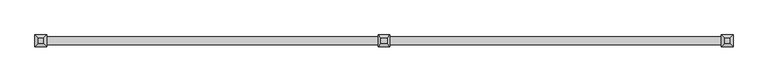
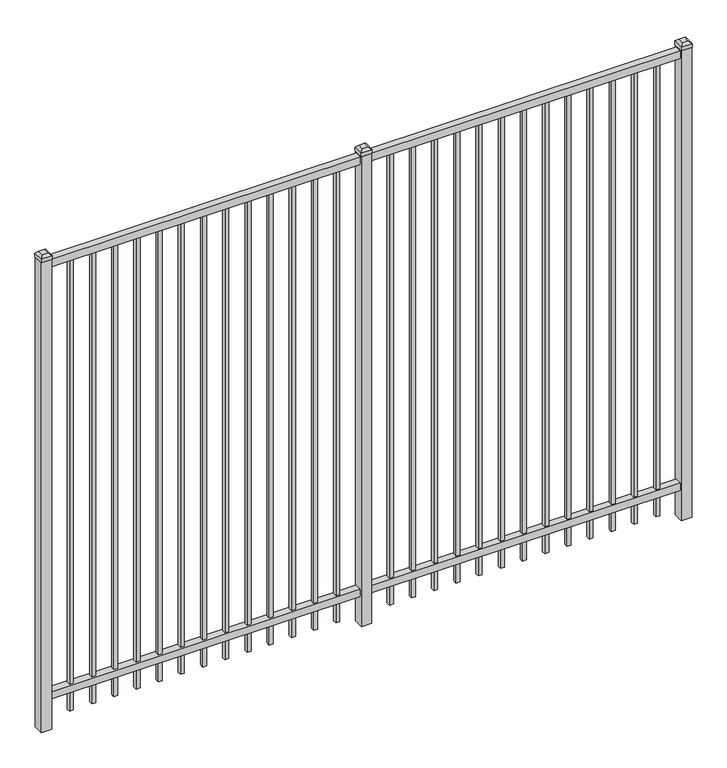
"""IFC4 building model written with IfcOpenShell, lengths in millimetres: railing geometry."""

import ifcopenshell
import ifcopenshell.guid

model = None  # the IFC model being written
_history = None  # IfcOwnerHistory: only IFC2X3 demands one
_inside = {}  # id of a spatial element -> (the spatial element, [elements in it])
_under = {}  # id of a project, library or spatial element -> (it, [spatial elements below it])
_declared = {}  # id of a project -> (the project, [libraries it declares])
_typed = {}  # id of a type object -> (the type object, [elements of that type])
_made_of = {}  # id of a material, layer set ... -> (it, [elements and type objects made of it])


def new_model(schema):
    """Start an empty IFC model of exactly this schema.

    Asked for "IFC4X3", IfcOpenShell would pick the latest addendum, in which some entities
    have other attributes; the version numbers below select the first issue.
    IFC2X3 requires an IfcOwnerHistory on every rooted entity: one is made here for all.
    """
    global model, _history
    if schema == "IFC4X3":
        model = ifcopenshell.file(schema_version=(4, 3, 0, 0))
    else:
        model = ifcopenshell.file(schema=schema)
    _inside.clear()
    _under.clear()
    _declared.clear()
    _typed.clear()
    _made_of.clear()
    _history = None
    if model.schema == "IFC2X3":
        org = make("IfcOrganization", Name="unknown")
        user = make(
            "IfcPersonAndOrganization",
            ThePerson=make("IfcPerson", FamilyName="unknown"),
            TheOrganization=org,
        )
        app = make(
            "IfcApplication",
            ApplicationDeveloper=org,
            Version="unknown",
            ApplicationFullName="unknown",
            ApplicationIdentifier="unknown",
        )
        _history = make(
            "IfcOwnerHistory",
            OwningUser=user,
            OwningApplication=app,
            ChangeAction="ADDED",
            CreationDate=0,
        )
    return model


def make(cls, **values):
    """One entity of the class cls with the attributes given. An attribute that is None is left unset."""
    return model.create_entity(
        cls, **{name: value for name, value in values.items() if value is not None}
    )


def rooted(cls, **values):
    """An entity with a GlobalId (a new one), such as an element, a storey or a relation."""
    return make(cls, GlobalId=ifcopenshell.guid.new(), OwnerHistory=_history, **values)


def si_unit(unit_type, name, prefix=None):
    """IfcSIUnit, for example si_unit("LENGTHUNIT", "METRE", prefix="MILLI")."""
    return make("IfcSIUnit", UnitType=unit_type, Prefix=prefix, Name=name)


def assignment(units):
    """IfcUnitAssignment: the units of a project."""
    return None if units is None else make("IfcUnitAssignment", Units=units)


def point(xyz):
    """IfcCartesianPoint."""
    return None if xyz is None else make("IfcCartesianPoint", Coordinates=xyz)


def direction(xyz):
    """IfcDirection."""
    return None if xyz is None else make("IfcDirection", DirectionRatios=xyz)


def frame(location, z_axis=None, x_axis=None):
    """IfcAxis2Placement3D, a coordinate frame: its origin and axes. An axis left out is left unset."""
    return make(
        "IfcAxis2Placement3D",
        Location=point(location),
        Axis=direction(z_axis),
        RefDirection=direction(x_axis),
    )


def origin():
    """The frame at (0, 0, 0) with its axes left unset."""
    return frame((0.0, 0.0, 0.0))


def origin_with_axes():
    """The frame at (0, 0, 0) with the z axis (0, 0, 1) and the x axis (1, 0, 0) written out."""
    return frame((0.0, 0.0, 0.0), z_axis=(0.0, 0.0, 1.0), x_axis=(1.0, 0.0, 0.0))


def place(relative_to, where):
    """IfcLocalPlacement: puts the frame where relative to a parent placement (None: the world)."""
    return make(
        "IfcLocalPlacement", PlacementRelTo=relative_to, RelativePlacement=where
    )


def context(
    kind, dimensions, precision=None, world=None, true_north=None, identifier=None
):
    """IfcGeometricRepresentationContext, for example the 3D "Model" context."""
    return make(
        "IfcGeometricRepresentationContext",
        ContextIdentifier=identifier,
        ContextType=kind,
        CoordinateSpaceDimension=dimensions,
        Precision=precision,
        WorldCoordinateSystem=world,
        TrueNorth=true_north,
    )


def project(units=None, contexts=None):
    """IfcProject with its units and contexts."""
    return rooted(
        "IfcProject",
        Name="project",
        RepresentationContexts=contexts,
        UnitsInContext=assignment(units),
    )


def spatial(cls, under=None, at=None, **own):
    """A site, building, storey or space (cls), placed at a placement, below another one or the project."""
    s = rooted(cls, ObjectPlacement=at, **own)
    if under is not None:
        _under.setdefault(under.id(), (under, []))[1].append(s)
    return s


def polyline(points):
    """IfcPolyline through the points."""
    return make("IfcPolyline", Points=[point(p) for p in points])


def outline(outer, holes=None, kind="AREA"):
    """IfcArbitraryClosedProfileDef: a profile drawn as a closed curve; with holes, ...WithVoids."""
    if holes is None:
        return make("IfcArbitraryClosedProfileDef", ProfileType=kind, OuterCurve=outer)
    return make(
        "IfcArbitraryProfileDefWithVoids",
        ProfileType=kind,
        OuterCurve=outer,
        InnerCurves=holes,
    )


def extrude(swept, where, along, depth):
    """IfcExtrudedAreaSolid: the profile swept, set in the frame where, extruded along a direction by depth."""
    return make(
        "IfcExtrudedAreaSolid",
        SweptArea=swept,
        Position=where,
        ExtrudedDirection=direction(along),
        Depth=depth,
    )


def faces_of(points, faces, orient=None, outer=None):
    """IfcFace entities. A face is a list of loops; a loop is a list of indices into points, from 0.

    orient and outer hold one flag for each loop. By default every Orientation is true, the
    first loop of a face is its IfcFaceOuterBound and the others are IfcFaceBound.
    """
    made = []
    for i, loops in enumerate(faces):
        bounds = []
        for j, loop in enumerate(loops):
            is_outer = j == 0 if outer is None else outer[i][j]
            bounds.append(
                make(
                    "IfcFaceOuterBound" if is_outer else "IfcFaceBound",
                    Bound=make("IfcPolyLoop", Polygon=[points[k] for k in loop]),
                    Orientation=True if orient is None else orient[i][j],
                )
            )
        made.append(make("IfcFace", Bounds=bounds))
    return made


def faceted_brep(points, faces, orient=None, outer=None, voids=None):
    """IfcFacetedBrep: a solid bounded by flat faces; with voids (closed shells), ...WithVoids."""
    shared = [point(p) for p in points]
    hull = make("IfcClosedShell", CfsFaces=faces_of(shared, faces, orient, outer))
    if voids is None:
        return make("IfcFacetedBrep", Outer=hull)
    return make(
        "IfcFacetedBrepWithVoids",
        Outer=hull,
        Voids=[
            make(cls, CfsFaces=faces_of(shared, fs, o, b)) for cls, fs, o, b in voids
        ],
    )


def shape(context_of_items, identifier, shape_type, items):
    """IfcShapeRepresentation: the items that make up one representation, for example the "Body"."""
    return make(
        "IfcShapeRepresentation",
        ContextOfItems=context_of_items,
        RepresentationIdentifier=identifier,
        RepresentationType=shape_type,
        Items=items,
    )


def source(mapping_origin, context_of_items, identifier, shape_type, items):
    """IfcRepresentationMap: a shape defined once, which mapped items show again and again."""
    return make(
        "IfcRepresentationMap",
        MappingOrigin=mapping_origin,
        MappedRepresentation=shape(context_of_items, identifier, shape_type, items),
    )


def transform(
    local_origin,
    x_axis=None,
    y_axis=None,
    z_axis=None,
    scale=None,
    scale2=None,
    scale3=None,
    uniform=True,
):
    """IfcCartesianTransformationOperator3D, or its non-uniform kind. x_axis, y_axis, z_axis: its Axis1, 2, 3."""
    if uniform:
        return make(
            "IfcCartesianTransformationOperator3D",
            Axis1=direction(x_axis),
            Axis2=direction(y_axis),
            LocalOrigin=point(local_origin),
            Scale=scale,
            Axis3=direction(z_axis),
        )
    return make(
        "IfcCartesianTransformationOperator3DnonUniform",
        Axis1=direction(x_axis),
        Axis2=direction(y_axis),
        LocalOrigin=point(local_origin),
        Scale=scale,
        Axis3=direction(z_axis),
        Scale2=scale2,
        Scale3=scale3,
    )


def mapped(mapping_source, mapping_target):
    """IfcMappedItem: shows the shape of a source again, moved by a transform."""
    return make(
        "IfcMappedItem", MappingSource=mapping_source, MappingTarget=mapping_target
    )


def made_of(thing, what):
    """Note that an element or type object is made of a material, layer set ...; save() writes the relation."""
    if what is not None:
        _made_of.setdefault(what.id(), (what, []))[1].append(thing)
    return thing


def element(
    cls,
    number,
    at=None,
    inside=None,
    cuts=None,
    type_object=None,
    material=None,
    context=None,
    identifier="Body",
    shape_type=None,
    held_by="IfcProductDefinitionShape",
    body=None,
    shapes=None,
    **own,
):
    """One element of the class cls, such as IfcWall. Its Tag is "e" and its number.

    at: its placement. inside: the storey or other place that contains it. cuts: it is an
    opening in that element (IfcRelVoidsElement). A single representation is given by context,
    identifier, shape_type and body (its items); several are given by shapes. held_by: the class
    of the entity that holds the representations. save() writes the other relations.
    """
    e = rooted(cls, Tag="e%d" % number, ObjectPlacement=at, **own)
    if body is not None:
        shapes = [shape(context, identifier, shape_type, body)]
    if shapes is not None:
        e.Representation = make(held_by, Representations=shapes)
    if inside is not None:
        _inside.setdefault(inside.id(), (inside, []))[1].append(e)
    if cuts is not None:
        rooted(
            "IfcRelVoidsElement", RelatingBuildingElement=cuts, RelatedOpeningElement=e
        )
    if type_object is not None:
        _typed.setdefault(type_object.id(), (type_object, []))[1].append(e)
    return made_of(e, material)


def aggregate(whole, parts):
    """IfcRelAggregates: a whole, such as a stair, and the parts it consists of."""
    return rooted("IfcRelAggregates", RelatingObject=whole, RelatedObjects=parts)


def save(model, path):
    """Write the relations noted so far, then the file.

    IfcRelAggregates (storeys below a building ...), IfcRelContainedInSpatialStructure (elements
    in a storey), IfcRelDefinesByType, IfcRelAssociatesMaterial and IfcRelDeclares: one each for
    every whole, place, type object, material and project.
    """
    for whole, parts in _under.values():
        aggregate(whole, parts)
    for where, things in _inside.values():
        rooted(
            "IfcRelContainedInSpatialStructure",
            RelatedElements=things,
            RelatingStructure=where,
        )
    for kind, things in _typed.values():
        rooted("IfcRelDefinesByType", RelatedObjects=things, RelatingType=kind)
    for what, things in _made_of.values():
        rooted("IfcRelAssociatesMaterial", RelatedObjects=things, RelatingMaterial=what)
    for by, libraries in _declared.values():
        rooted("IfcRelDeclares", RelatingContext=by, RelatedDefinitions=libraries)
    model.write(path)


def railing_dfb329a0(model_context):
    return source(origin(), model_context, "Body", "SolidModel", [
        extrude(outline(polyline([(-55249.318087, 5443.2804826), (-55249.318087, 5478.2054826), (-52099.718087, 5478.2054826), (-52099.718087, 5443.2804826), (-55249.318087, 5443.2804826)])), frame((0.0, 0.0, 2400.3), z_axis=(0.0, 0.0, 1.0), x_axis=(1.0, 0.0, 0.0)), (0.0, 0.0, 1.0), 38.1),
        extrude(outline(polyline([(-55249.318087, 5443.2804826), (-55249.318087, 5478.2054826), (-52099.718087, 5478.2054826), (-52099.718087, 5443.2804826), (-55249.318087, 5443.2804826)])), frame((0.0, 0.0, 152.4), z_axis=(0.0, 0.0, 1.0), x_axis=(1.0, 0.0, 0.0)), (0.0, 0.0, 1.0), 38.1),
        extrude(outline(polyline([(-52331.2285036, 5470.2679826), (-52331.2285036, 5451.2179826), (-52350.2785036, 5451.2179826), (-52350.2785036, 5470.2679826), (-52331.2285036, 5470.2679826)])), frame((0.0, 0.0, 50.8), z_axis=(0.0, 0.0, 1.0), x_axis=(1.0, 0.0, 0.0)), (0.0, 0.0, 1.0), 2349.5),
        extrude(outline(polyline([(-52440.5014203, 5470.2679826), (-52440.5014203, 5451.2179826), (-52459.5514203, 5451.2179826), (-52459.5514203, 5470.2679826), (-52440.5014203, 5470.2679826)])), frame((0.0, 0.0, 50.8), z_axis=(0.0, 0.0, 1.0), x_axis=(1.0, 0.0, 0.0)), (0.0, 0.0, 1.0), 2349.5),
        extrude(outline(polyline([(-52549.774337, 5470.2679826), (-52549.774337, 5451.2179826), (-52568.824337, 5451.2179826), (-52568.824337, 5470.2679826), (-52549.774337, 5470.2679826)])), frame((0.0, 0.0, 50.8), z_axis=(0.0, 0.0, 1.0), x_axis=(1.0, 0.0, 0.0)), (0.0, 0.0, 1.0), 2349.5),
        extrude(outline(polyline([(-52659.0472536, 5470.2679826), (-52659.0472536, 5451.2179826), (-52678.0972536, 5451.2179826), (-52678.0972536, 5470.2679826), (-52659.0472536, 5470.2679826)])), frame((0.0, 0.0, 50.8), z_axis=(0.0, 0.0, 1.0), x_axis=(1.0, 0.0, 0.0)), (0.0, 0.0, 1.0), 2349.5),
        extrude(outline(polyline([(-52768.3201703, 5470.2679826), (-52768.3201703, 5451.2179826), (-52787.3701703, 5451.2179826), (-52787.3701703, 5470.2679826), (-52768.3201703, 5470.2679826)])), frame((0.0, 0.0, 50.8), z_axis=(0.0, 0.0, 1.0), x_axis=(1.0, 0.0, 0.0)), (0.0, 0.0, 1.0), 2349.5),
        extrude(outline(polyline([(-52877.593087, 5470.2679826), (-52877.593087, 5451.2179826), (-52896.643087, 5451.2179826), (-52896.643087, 5470.2679826), (-52877.593087, 5470.2679826)])), frame((0.0, 0.0, 50.8), z_axis=(0.0, 0.0, 1.0), x_axis=(1.0, 0.0, 0.0)), (0.0, 0.0, 1.0), 2349.5),
        extrude(outline(polyline([(-52986.8660036, 5470.2679826), (-52986.8660036, 5451.2179826), (-53005.9160036, 5451.2179826), (-53005.9160036, 5470.2679826), (-52986.8660036, 5470.2679826)])), frame((0.0, 0.0, 50.8), z_axis=(0.0, 0.0, 1.0), x_axis=(1.0, 0.0, 0.0)), (0.0, 0.0, 1.0), 2349.5),
        extrude(outline(polyline([(-53096.1389203, 5470.2679826), (-53096.1389203, 5451.2179826), (-53115.1889203, 5451.2179826), (-53115.1889203, 5470.2679826), (-53096.1389203, 5470.2679826)])), frame((0.0, 0.0, 50.8), z_axis=(0.0, 0.0, 1.0), x_axis=(1.0, 0.0, 0.0)), (0.0, 0.0, 1.0), 2349.5),
        extrude(outline(polyline([(-53205.411837, 5470.2679826), (-53205.411837, 5451.2179826), (-53224.461837, 5451.2179826), (-53224.461837, 5470.2679826), (-53205.411837, 5470.2679826)])), frame((0.0, 0.0, 50.8), z_axis=(0.0, 0.0, 1.0), x_axis=(1.0, 0.0, 0.0)), (0.0, 0.0, 1.0), 2349.5),
        extrude(outline(polyline([(-53314.6847536, 5470.2679826), (-53314.6847536, 5451.2179826), (-53333.7347536, 5451.2179826), (-53333.7347536, 5470.2679826), (-53314.6847536, 5470.2679826)])), frame((0.0, 0.0, 50.8), z_axis=(0.0, 0.0, 1.0), x_axis=(1.0, 0.0, 0.0)), (0.0, 0.0, 1.0), 2349.5),
        extrude(outline(polyline([(-53423.9576703, 5470.2679826), (-53423.9576703, 5451.2179826), (-53443.0076703, 5451.2179826), (-53443.0076703, 5470.2679826), (-53423.9576703, 5470.2679826)])), frame((0.0, 0.0, 50.8), z_axis=(0.0, 0.0, 1.0), x_axis=(1.0, 0.0, 0.0)), (0.0, 0.0, 1.0), 2349.5),
        extrude(outline(polyline([(-52221.955587, 5470.2679826), (-52221.955587, 5451.2179826), (-52241.005587, 5451.2179826), (-52241.005587, 5470.2679826), (-52221.955587, 5470.2679826)])), frame((0.0, 0.0, 50.8), z_axis=(0.0, 0.0, 1.0), x_axis=(1.0, 0.0, 0.0)), (0.0, 0.0, 1.0), 2349.5),
        extrude(outline(polyline([(-53533.230587, 5470.2679826), (-53533.230587, 5451.2179826), (-53552.280587, 5451.2179826), (-53552.280587, 5470.2679826), (-53533.230587, 5470.2679826)])), frame((0.0, 0.0, 50.8), z_axis=(0.0, 0.0, 1.0), x_axis=(1.0, 0.0, 0.0)), (0.0, 0.0, 1.0), 2349.5),
        extrude(outline(polyline([(-53649.118087, 5486.1429826), (-53649.118087, 5435.3429826), (-53699.918087, 5435.3429826), (-53699.918087, 5486.1429826), (-53649.118087, 5486.1429826)])), origin_with_axes(), (0.0, 0.0, 1.0), 2444.75),
        faceted_brep([(-53701.505587, 5487.7304826, 2463.8), (-53701.505587, 5487.7304826, 2444.75), (-53701.505587, 5433.7554826, 2444.75), (-53701.505587, 5433.7554826, 2463.8), (-53688.805587, 5475.0304826, 2476.5), (-53688.805587, 5446.4554826, 2476.5), (-53647.530587, 5433.7554826, 2444.75), (-53647.530587, 5433.7554826, 2463.8), (-53660.230587, 5446.4554826, 2476.5), (-53647.530587, 5487.7304826, 2444.75), (-53647.530587, 5487.7304826, 2463.8), (-53660.230587, 5475.0304826, 2476.5)], [[[0, 1, 2, 3]], [[4, 0, 3, 5]], [[3, 2, 6, 7]], [[5, 3, 7, 8]], [[7, 6, 9, 10]], [[8, 7, 10, 11]], [[10, 9, 1, 0]], [[11, 10, 0, 4]], [[5, 8, 11, 4]], [[1, 9, 6, 2]]]),
        extrude(outline(polyline([(-53906.0285036, 5470.2679826), (-53906.0285036, 5451.2179826), (-53925.0785036, 5451.2179826), (-53925.0785036, 5470.2679826), (-53906.0285036, 5470.2679826)])), frame((0.0, 0.0, 50.8), z_axis=(0.0, 0.0, 1.0), x_axis=(1.0, 0.0, 0.0)), (0.0, 0.0, 1.0), 2349.5),
        extrude(outline(polyline([(-54015.3014203, 5470.2679826), (-54015.3014203, 5451.2179826), (-54034.3514203, 5451.2179826), (-54034.3514203, 5470.2679826), (-54015.3014203, 5470.2679826)])), frame((0.0, 0.0, 50.8), z_axis=(0.0, 0.0, 1.0), x_axis=(1.0, 0.0, 0.0)), (0.0, 0.0, 1.0), 2349.5),
        extrude(outline(polyline([(-54124.574337, 5470.2679826), (-54124.574337, 5451.2179826), (-54143.624337, 5451.2179826), (-54143.624337, 5470.2679826), (-54124.574337, 5470.2679826)])), frame((0.0, 0.0, 50.8), z_axis=(0.0, 0.0, 1.0), x_axis=(1.0, 0.0, 0.0)), (0.0, 0.0, 1.0), 2349.5),
        extrude(outline(polyline([(-54233.8472536, 5470.2679826), (-54233.8472536, 5451.2179826), (-54252.8972536, 5451.2179826), (-54252.8972536, 5470.2679826), (-54233.8472536, 5470.2679826)])), frame((0.0, 0.0, 50.8), z_axis=(0.0, 0.0, 1.0), x_axis=(1.0, 0.0, 0.0)), (0.0, 0.0, 1.0), 2349.5),
        extrude(outline(polyline([(-54343.1201703, 5470.2679826), (-54343.1201703, 5451.2179826), (-54362.1701703, 5451.2179826), (-54362.1701703, 5470.2679826), (-54343.1201703, 5470.2679826)])), frame((0.0, 0.0, 50.8), z_axis=(0.0, 0.0, 1.0), x_axis=(1.0, 0.0, 0.0)), (0.0, 0.0, 1.0), 2349.5),
        extrude(outline(polyline([(-54452.393087, 5470.2679826), (-54452.393087, 5451.2179826), (-54471.443087, 5451.2179826), (-54471.443087, 5470.2679826), (-54452.393087, 5470.2679826)])), frame((0.0, 0.0, 50.8), z_axis=(0.0, 0.0, 1.0), x_axis=(1.0, 0.0, 0.0)), (0.0, 0.0, 1.0), 2349.5),
        extrude(outline(polyline([(-54561.6660036, 5470.2679826), (-54561.6660036, 5451.2179826), (-54580.7160036, 5451.2179826), (-54580.7160036, 5470.2679826), (-54561.6660036, 5470.2679826)])), frame((0.0, 0.0, 50.8), z_axis=(0.0, 0.0, 1.0), x_axis=(1.0, 0.0, 0.0)), (0.0, 0.0, 1.0), 2349.5),
        extrude(outline(polyline([(-54670.9389203, 5470.2679826), (-54670.9389203, 5451.2179826), (-54689.9889203, 5451.2179826), (-54689.9889203, 5470.2679826), (-54670.9389203, 5470.2679826)])), frame((0.0, 0.0, 50.8), z_axis=(0.0, 0.0, 1.0), x_axis=(1.0, 0.0, 0.0)), (0.0, 0.0, 1.0), 2349.5),
        extrude(outline(polyline([(-54780.211837, 5470.2679826), (-54780.211837, 5451.2179826), (-54799.261837, 5451.2179826), (-54799.261837, 5470.2679826), (-54780.211837, 5470.2679826)])), frame((0.0, 0.0, 50.8), z_axis=(0.0, 0.0, 1.0), x_axis=(1.0, 0.0, 0.0)), (0.0, 0.0, 1.0), 2349.5),
        extrude(outline(polyline([(-54889.4847536, 5470.2679826), (-54889.4847536, 5451.2179826), (-54908.5347536, 5451.2179826), (-54908.5347536, 5470.2679826), (-54889.4847536, 5470.2679826)])), frame((0.0, 0.0, 50.8), z_axis=(0.0, 0.0, 1.0), x_axis=(1.0, 0.0, 0.0)), (0.0, 0.0, 1.0), 2349.5),
        extrude(outline(polyline([(-54998.7576703, 5470.2679826), (-54998.7576703, 5451.2179826), (-55017.8076703, 5451.2179826), (-55017.8076703, 5470.2679826), (-54998.7576703, 5470.2679826)])), frame((0.0, 0.0, 50.8), z_axis=(0.0, 0.0, 1.0), x_axis=(1.0, 0.0, 0.0)), (0.0, 0.0, 1.0), 2349.5),
        extrude(outline(polyline([(-53796.755587, 5470.2679826), (-53796.755587, 5451.2179826), (-53815.805587, 5451.2179826), (-53815.805587, 5470.2679826), (-53796.755587, 5470.2679826)])), frame((0.0, 0.0, 50.8), z_axis=(0.0, 0.0, 1.0), x_axis=(1.0, 0.0, 0.0)), (0.0, 0.0, 1.0), 2349.5),
        extrude(outline(polyline([(-55108.030587, 5470.2679826), (-55108.030587, 5451.2179826), (-55127.080587, 5451.2179826), (-55127.080587, 5470.2679826), (-55108.030587, 5470.2679826)])), frame((0.0, 0.0, 50.8), z_axis=(0.0, 0.0, 1.0), x_axis=(1.0, 0.0, 0.0)), (0.0, 0.0, 1.0), 2349.5),
        extrude(outline(polyline([(-52074.318087, 5486.1429826), (-52074.318087, 5435.3429826), (-52125.118087, 5435.3429826), (-52125.118087, 5486.1429826), (-52074.318087, 5486.1429826)])), origin_with_axes(), (0.0, 0.0, 1.0), 2444.75),
        faceted_brep([(-52126.705587, 5487.7304826, 2463.8), (-52126.705587, 5487.7304826, 2444.75), (-52126.705587, 5433.7554826, 2444.75), (-52126.705587, 5433.7554826, 2463.8), (-52114.005587, 5475.0304826, 2476.5), (-52114.005587, 5446.4554826, 2476.5), (-52072.730587, 5433.7554826, 2444.75), (-52072.730587, 5433.7554826, 2463.8), (-52085.430587, 5446.4554826, 2476.5), (-52072.730587, 5487.7304826, 2444.75), (-52072.730587, 5487.7304826, 2463.8), (-52085.430587, 5475.0304826, 2476.5)], [[[0, 1, 2, 3]], [[4, 0, 3, 5]], [[3, 2, 6, 7]], [[5, 3, 7, 8]], [[7, 6, 9, 10]], [[8, 7, 10, 11]], [[10, 9, 1, 0]], [[11, 10, 0, 4]], [[5, 8, 11, 4]], [[1, 9, 6, 2]]]),
        extrude(outline(polyline([(-55223.918087, 5486.1429826), (-55223.918087, 5435.3429826), (-55274.718087, 5435.3429826), (-55274.718087, 5486.1429826), (-55223.918087, 5486.1429826)])), origin_with_axes(), (0.0, 0.0, 1.0), 2444.75),
        faceted_brep([(-55276.305587, 5487.7304826, 2463.8), (-55276.305587, 5487.7304826, 2444.75), (-55276.305587, 5433.7554826, 2444.75), (-55276.305587, 5433.7554826, 2463.8), (-55263.605587, 5475.0304826, 2476.5), (-55263.605587, 5446.4554826, 2476.5), (-55222.330587, 5433.7554826, 2444.75), (-55222.330587, 5433.7554826, 2463.8), (-55235.030587, 5446.4554826, 2476.5), (-55222.330587, 5487.7304826, 2444.75), (-55222.330587, 5487.7304826, 2463.8), (-55235.030587, 5475.0304826, 2476.5)], [[[0, 1, 2, 3]], [[4, 0, 3, 5]], [[3, 2, 6, 7]], [[5, 3, 7, 8]], [[7, 6, 9, 10]], [[8, 7, 10, 11]], [[10, 9, 1, 0]], [[11, 10, 0, 4]], [[5, 8, 11, 4]], [[1, 9, 6, 2]]]),
    ])


if __name__ == "__main__":
    model = new_model("IFC4")
    model_context = context("Model", 3, world=origin())
    ifc_project = project(units=[si_unit("LENGTHUNIT", "METRE", prefix="MILLI")], contexts=[model_context])
    site = spatial("IfcSite", under=ifc_project)
    building = spatial("IfcBuilding", under=site)
    placement = place(None, origin())
    railing_shape = railing_dfb329a0(model_context)
    element("IfcRailing", 1, at=placement, inside=building, context=model_context, shape_type="MappedRepresentation", body=[
        mapped(railing_shape, transform((0.0, 0.0, 0.0), x_axis=(1.0, 0.0, 0.0), y_axis=(0.0, 1.0, 0.0), z_axis=(0.0, 0.0, 1.0))),
    ])
    save(model, "model.ifc")
